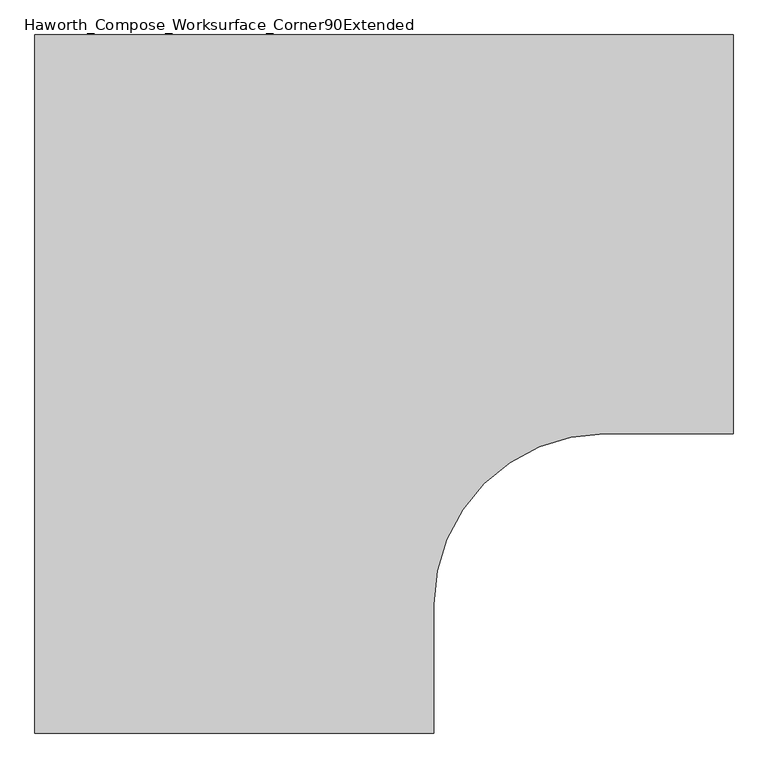
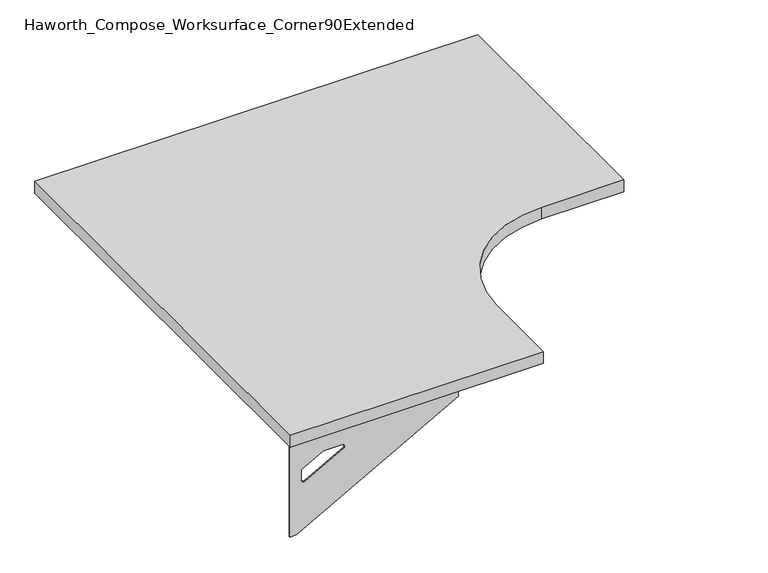
"""IFC4 building model written with IfcOpenShell, lengths in millimetres: furniture geometry, Haworth_Compose_Worksurface_Corner90Extended."""

from ifc_helpers import new_model, si_unit, point, frame, frame_2d, origin, place, context, project, spatial, polyline, circle_curve, trimmed, segment, composite_curve, outline, extrude, source, transform, mapped, element, save
from ifc_brep_helpers import plane_surface, revolved_surface, advanced_brep


def haworth_compose_worksurface_corner90extended_9e498c90(model_context):
    return source(origin(), model_context, "Body", "SolidModel", [
        advanced_brep(
        [(680.24375, 152.4, 475.45625), (680.24375, 136.525, 475.45625), (680.24375, -254.0, 691.7192568), (680.24375, -254.0, 704.05625), (680.24375, 136.525, 704.05625), (680.24375, 152.4, 704.05625), (680.24375, 69.090072, 665.95625), (680.24375, 25.4355284, 665.95625), (680.24375, 22.7564235, 656.3705539), (680.24375, 114.4776173, 605.5776439), (680.24375, 123.825, 611.1756969), (680.24375, 123.825, 634.6860246), (680.24375, 122.0730055, 637.5242776), (680.24375, 72.1663437, 665.1613425), (682.625, 152.4, 475.45625), (682.625, 152.4, 704.05625), (682.625, 136.525, 704.05625), (682.625, 136.525, 706.4375), (682.625, -254.0, 706.4375), (682.625, -254.0, 691.7192568), (682.625, 136.525, 475.45625), (682.625, 69.090072, 665.95625), (682.625, 72.1663437, 665.1613425), (682.625, 122.0730055, 637.5242776), (682.625, 123.825, 634.6860246), (682.625, 123.825, 611.1756969), (682.625, 114.4776173, 605.5776439), (682.625, 22.7564235, 656.3705539), (682.625, 25.4355284, 665.95625), (641.35, -254.0, 706.4375), (641.35, -254.0, 704.05625), (641.35, 136.525, 704.05625), (641.35, 136.525, 706.4375)],
        [
            (0, 1),
            (1, 2),
            (2, 3),
            (3, 4),
            (4, 5),
            (5, 0),
            (6, 7),
            (7, 8, circle_curve(frame((680.24375, 25.4355284, 660.7890106), z_axis=(1.0, 0.0, 0.0), x_axis=(0.0, -1.0, 0.0)), 5.1672394)),
            (8, 9),
            (9, 10, circle_curve(frame((680.24375, 117.475, 611.1756969), z_axis=(1.0, 0.0, 0.0), x_axis=(0.0, -1.0, 0.0)), 6.35)),
            (10, 11),
            (11, 12, circle_curve(frame((680.24375, 120.65, 634.6860246), z_axis=(1.0, 0.0, 0.0), x_axis=(0.0, -1.0, 0.0)), 3.175)),
            (12, 13),
            (13, 6, circle_curve(frame((680.24375, 69.090072, 659.60625), z_axis=(1.0, 0.0, 0.0), x_axis=(0.0, -1.0, 0.0)), 6.35)),
            (14, 15),
            (15, 16),
            (16, 17),
            (17, 18),
            (18, 19),
            (19, 20),
            (20, 14),
            (21, 22, circle_curve(frame((682.625, 69.090072, 659.60625), z_axis=(-1.0, 0.0, 0.0), x_axis=(0.0, -1.0, 0.0)), 6.35)),
            (22, 23),
            (23, 24, circle_curve(frame((682.625, 120.65, 634.6860246), z_axis=(-1.0, 0.0, 0.0), x_axis=(0.0, -1.0, 0.0)), 3.175)),
            (24, 25),
            (25, 26, circle_curve(frame((682.625, 117.475, 611.1756969), z_axis=(-1.0, 0.0, 0.0), x_axis=(0.0, -1.0, 0.0)), 6.35)),
            (26, 27),
            (27, 28, circle_curve(frame((682.625, 25.4355284, 660.7890106), z_axis=(-1.0, 0.0, 0.0), x_axis=(0.0, -1.0, 0.0)), 5.1672394)),
            (28, 21),
            (4, 16),
            (15, 5),
            (14, 0),
            (20, 1),
            (19, 2),
            (18, 29),
            (29, 30),
            (30, 3),
            (6, 21),
            (28, 7),
            (9, 26),
            (25, 10),
            (24, 11),
            (23, 12),
            (27, 8),
            (31, 4),
            (30, 31),
            (32, 29),
            (17, 32),
            (31, 32),
            (22, 13),
        ],
        [
            plane_surface(frame((680.24375, 152.4, 475.45625), z_axis=(-1.0, 0.0, 0.0), x_axis=(0.0, 1.0, 0.0))),
            plane_surface(frame((682.625, 152.4, 475.45625), z_axis=(1.0, 0.0, 0.0), x_axis=(0.0, -1.0, 0.0))),
            plane_surface(frame((682.625, -254.0, 704.05625), z_axis=(0.0, 0.0, 1.0), x_axis=(-1.0, 0.0, 0.0))),
            plane_surface(frame((682.625, 152.4, 704.05625), z_axis=(0.0, 1.0, 0.0), x_axis=(-1.0, 0.0, 0.0))),
            plane_surface(frame((682.625, 152.4, 475.45625), z_axis=(0.0, 0.0, -1.0), x_axis=(-1.0, 0.0, 0.0))),
            plane_surface(frame((682.625, 136.525, 475.45625), z_axis=(0.0, -0.4844522351345575, -0.8748177135112957), x_axis=(-1.0, 0.0, 0.0))),
            plane_surface(frame((682.625, -254.0, 691.7192568), z_axis=(0.0, -1.0, 0.0), x_axis=(-1.0, 0.0, 0.0))),
            plane_surface(frame((682.625, 69.090072, 665.95625), z_axis=(0.0, 0.0, -1.0), x_axis=(-1.0, 0.0, 0.0))),
            revolved_surface(polyline([(680.24375, 111.125, 611.1756969), (682.625, 111.125, 611.1756969)]), (682.625, 117.475, 611.1756969), (-1.0, 0.0, 0.0)),
            plane_surface(frame((682.625, 123.825, 611.1756969), z_axis=(0.0, -1.0, 0.0), x_axis=(-1.0, 0.0, 0.0))),
            revolved_surface(polyline([(680.24375, 117.47500000000001, 634.6860246), (682.625, 117.47500000000001, 634.6860246)]), (682.625, 120.65, 634.6860246), (-1.0, 0.0, 0.0)),
            revolved_surface(polyline([(680.24375, 20.268289, 660.7890106), (682.625, 20.268289, 660.7890106)]), (682.625, 25.4355284, 660.7890106), (-1.0, 0.0, 0.0)),
            plane_surface(frame((682.625, 136.525, 704.05625), z_axis=(0.0, 0.0, -1.0), x_axis=(-1.0, 0.0, 0.0))),
            plane_surface(frame((682.625, 136.525, 706.4375), z_axis=(0.0, 0.0, 1.0), x_axis=(1.0, 0.0, 0.0))),
            plane_surface(frame((641.35, 136.525, 706.4375), z_axis=(0.0, 1.0, 0.0), x_axis=(0.0, 0.0, -1.0))),
            plane_surface(frame((641.35, -254.0, 706.4375), z_axis=(-1.0, 0.0, 0.0), x_axis=(0.0, 0.0, -1.0))),
            plane_surface(frame((682.625, 22.7564235, 656.3705539), z_axis=(0.0, 0.4844522351341526, 0.8748177135115199), x_axis=(-1.0, 0.0, 0.0))),
            plane_surface(frame((682.625, 122.0730055, 637.5242776), z_axis=(0.0, -0.48445223513456226, -0.874817713511293), x_axis=(-1.0, 0.0, 0.0))),
            revolved_surface(polyline([(680.24375, 62.740072000000005, 659.60625), (682.625, 62.740072000000005, 659.60625)]), (682.625, 69.090072, 659.60625), (-1.0, 0.0, 0.0)),
        ],
        [
            (0, [[1, 2, 3, 4, 5, 6], [7, 8, 9, 10, 11, 12, 13, 14]]),
            (1, [[15, 16, 17, 18, 19, 20, 21], [22, 23, 24, 25, 26, 27, 28, 29]]),
            (2, [[-5, 30, -16, 31]]),
            (3, [[-31, -15, 32, -6]]),
            (4, [[-32, -21, 33, -1]]),
            (5, [[-33, -20, 34, -2]]),
            (6, [[-34, -19, 35, 36, 37, -3]]),
            (7, [[38, -29, 39, -7]]),
            (8, [[40, -26, 41, -10]]),
            (9, [[-41, -25, 42, -11]]),
            (10, [[-42, -24, 43, -12]]),
            (11, [[-39, -28, 44, -8]]),
            (12, [[45, -4, -37, 46]]),
            (13, [[47, -35, -18, 48]]),
            (14, [[-17, -30, -45, 49, -48]]),
            (15, [[-36, -47, -49, -46]]),
            (16, [[-44, -27, -40, -9]]),
            (17, [[-43, -23, 50, -13]]),
            (18, [[-50, -22, -38, -14]]),
        ],
    ),
        advanced_brep(
        [(-381.0, -908.84375, 475.45625), (-381.0, -908.84375, 704.05625), (-365.125, -908.84375, 704.05625), (25.4, -908.84375, 704.05625), (25.4, -908.84375, 691.7192568), (-365.125, -908.84375, 475.45625), (-297.690072, -908.84375, 665.95625), (-300.7663437, -908.84375, 665.1613425), (-350.6730055, -908.84375, 637.5242776), (-352.425, -908.84375, 634.6860246), (-352.425, -908.84375, 611.1756969), (-343.0776173, -908.84375, 605.5776439), (-251.3564235, -908.84375, 656.3705539), (-254.0355284, -908.84375, 665.95625), (-381.0, -911.225, 475.45625), (-365.125, -911.225, 475.45625), (25.4, -911.225, 691.7192568), (25.4, -911.225, 706.4375), (-365.125, -911.225, 706.4375), (-365.125, -911.225, 704.05625), (-381.0, -911.225, 704.05625), (-297.690072, -911.225, 665.95625), (-254.0355284, -911.225, 665.95625), (-251.3564235, -911.225, 656.3705539), (-343.0776173, -911.225, 605.5776439), (-352.425, -911.225, 611.1756969), (-352.425, -911.225, 634.6860246), (-350.6730055, -911.225, 637.5242776), (-300.7663437, -911.225, 665.1613425), (25.4, -869.95, 704.05625), (25.4, -869.95, 706.4375), (-365.125, -869.95, 704.05625), (-365.125, -869.95, 706.4375)],
        [
            (0, 1),
            (1, 2),
            (2, 3),
            (3, 4),
            (4, 5),
            (5, 0),
            (6, 7, circle_curve(frame((-297.690072, -908.84375, 659.60625), z_axis=(0.0, -1.0, 0.0), x_axis=(1.0, 0.0, 0.0)), 6.35)),
            (7, 8),
            (8, 9, circle_curve(frame((-349.25, -908.84375, 634.6860246), z_axis=(0.0, -1.0, 0.0), x_axis=(1.0, 0.0, 0.0)), 3.175)),
            (9, 10),
            (10, 11, circle_curve(frame((-346.075, -908.84375, 611.1756969), z_axis=(0.0, -1.0, 0.0), x_axis=(1.0, 0.0, 0.0)), 6.35)),
            (11, 12),
            (12, 13, circle_curve(frame((-254.0355284, -908.84375, 660.7890106), z_axis=(0.0, -1.0, 0.0), x_axis=(1.0, 0.0, 0.0)), 5.1672394)),
            (13, 6),
            (14, 15),
            (15, 16),
            (16, 17),
            (17, 18),
            (18, 19),
            (19, 20),
            (20, 14),
            (21, 22),
            (22, 23, circle_curve(frame((-254.0355284, -911.225, 660.7890106), z_axis=(0.0, 1.0, 0.0), x_axis=(1.0, 0.0, 0.0)), 5.1672394)),
            (23, 24),
            (24, 25, circle_curve(frame((-346.075, -911.225, 611.1756969), z_axis=(0.0, 1.0, 0.0), x_axis=(1.0, 0.0, 0.0)), 6.35)),
            (25, 26),
            (26, 27, circle_curve(frame((-349.25, -911.225, 634.6860246), z_axis=(0.0, 1.0, 0.0), x_axis=(1.0, 0.0, 0.0)), 3.175)),
            (27, 28),
            (28, 21, circle_curve(frame((-297.690072, -911.225, 659.60625), z_axis=(0.0, 1.0, 0.0), x_axis=(1.0, 0.0, 0.0)), 6.35)),
            (1, 20),
            (19, 2),
            (0, 14),
            (5, 15),
            (4, 16),
            (3, 29),
            (29, 30),
            (30, 17),
            (13, 22),
            (21, 6),
            (10, 25),
            (24, 11),
            (9, 26),
            (8, 27),
            (12, 23),
            (31, 29),
            (2, 31),
            (32, 18),
            (30, 32),
            (32, 31),
            (7, 28),
        ],
        [
            plane_surface(frame((-381.0, -908.84375, 475.45625), z_axis=(0.0, 1.0, 0.0), x_axis=(-1.0, 0.0, 0.0))),
            plane_surface(frame((-381.0, -911.225, 475.45625), z_axis=(0.0, -1.0, 0.0), x_axis=(1.0, 0.0, 0.0))),
            plane_surface(frame((25.4, -911.225, 704.05625), z_axis=(0.0, 0.0, 1.0), x_axis=(0.0, 1.0, 0.0))),
            plane_surface(frame((-381.0, -911.225, 704.05625), z_axis=(-1.0, 0.0, 0.0), x_axis=(0.0, 1.0, 0.0))),
            plane_surface(frame((-381.0, -911.225, 475.45625), z_axis=(0.0, 0.0, -1.0), x_axis=(0.0, 1.0, 0.0))),
            plane_surface(frame((-365.125, -911.225, 475.45625), z_axis=(0.4844522351345575, 0.0, -0.8748177135112957), x_axis=(0.0, 1.0, 0.0))),
            plane_surface(frame((25.4, -911.225, 691.7192568), z_axis=(1.0, 0.0, 0.0), x_axis=(0.0, 1.0, 0.0))),
            plane_surface(frame((-297.690072, -911.225, 665.95625), z_axis=(0.0, 0.0, -1.0), x_axis=(0.0, 1.0, 0.0))),
            revolved_surface(polyline([(-339.72499999999997, -908.84375, 611.1756969), (-339.72499999999997, -911.225, 611.1756969)]), (-346.075, -911.225, 611.1756969), (0.0, 1.0, 0.0)),
            plane_surface(frame((-352.425, -911.225, 611.1756969), z_axis=(1.0, 0.0, 0.0), x_axis=(0.0, 1.0, 0.0))),
            revolved_surface(polyline([(-346.075, -908.84375, 634.6860246), (-346.075, -911.225, 634.6860246)]), (-349.25, -911.225, 634.6860246), (0.0, 1.0, 0.0)),
            revolved_surface(polyline([(-248.868289, -908.84375, 660.7890106), (-248.868289, -911.225, 660.7890106)]), (-254.0355284, -911.225, 660.7890106), (0.0, 1.0, 0.0)),
            plane_surface(frame((-365.125, -911.225, 704.05625), z_axis=(0.0, 0.0, -1.0), x_axis=(0.0, 1.0, 0.0))),
            plane_surface(frame((-365.125, -911.225, 706.4375), z_axis=(0.0, 0.0, 1.0), x_axis=(0.0, -1.0, 0.0))),
            plane_surface(frame((-365.125, -869.95, 706.4375), z_axis=(-1.0, 0.0, 0.0), x_axis=(0.0, 0.0, -1.0))),
            plane_surface(frame((25.4, -869.95, 706.4375), z_axis=(0.0, 1.0, 0.0), x_axis=(0.0, 0.0, -1.0))),
            plane_surface(frame((-251.3564235, -911.225, 656.3705539), z_axis=(-0.4844522351341526, 0.0, 0.8748177135115199), x_axis=(0.0, 1.0, 0.0))),
            plane_surface(frame((-350.6730055, -911.225, 637.5242776), z_axis=(0.48445223513456226, 0.0, -0.874817713511293), x_axis=(0.0, 1.0, 0.0))),
            revolved_surface(polyline([(-291.34007199999996, -908.84375, 659.60625), (-291.34007199999996, -911.225, 659.60625)]), (-297.690072, -911.225, 659.60625), (0.0, 1.0, 0.0)),
        ],
        [
            (0, [[1, 2, 3, 4, 5, 6], [7, 8, 9, 10, 11, 12, 13, 14]]),
            (1, [[15, 16, 17, 18, 19, 20, 21], [22, 23, 24, 25, 26, 27, 28, 29]]),
            (2, [[30, -20, 31, -2]]),
            (3, [[-1, 32, -21, -30]]),
            (4, [[-6, 33, -15, -32]]),
            (5, [[-5, 34, -16, -33]]),
            (6, [[-4, 35, 36, 37, -17, -34]]),
            (7, [[-14, 38, -22, 39]]),
            (8, [[-11, 40, -25, 41]]),
            (9, [[-10, 42, -26, -40]]),
            (10, [[-9, 43, -27, -42]]),
            (11, [[-13, 44, -23, -38]]),
            (12, [[45, -35, -3, 46]]),
            (13, [[47, -18, -37, 48]]),
            (14, [[-47, 49, -46, -31, -19]]),
            (15, [[-45, -49, -48, -36]]),
            (16, [[-12, -41, -24, -44]]),
            (17, [[-8, 50, -28, -43]]),
            (18, [[-7, -39, -29, -50]]),
        ],
    ),
        extrude(outline(composite_curve([segment(polyline([(-381.0, 152.4), (685.8, 152.4), (685.8, -457.2), (488.95, -457.2)]), True, "CONTINUOUS"), segment(trimmed(circle_curve(frame_2d((488.95, -717.55)), 260.35), [point((488.95, -457.2))], [point((228.6, -717.55))], True, "CARTESIAN"), True, "CONTINUOUS"), segment(polyline([(228.6, -717.55), (228.6, -914.4), (-381.0, -914.4), (-381.0, 152.4)]), True, "CONTINUOUS")], self_intersect=False)), frame((0.0, 0.0, 706.4375), z_axis=(0.0, 0.0, 1.0), x_axis=(1.0, 0.0, 0.0)), (0.0, 0.0, 1.0), 30.1625),
    ])


if __name__ == "__main__":
    model = new_model("IFC4")
    model_context = context("Model", 3, world=origin())
    ifc_project = project(units=[si_unit("LENGTHUNIT", "METRE", prefix="MILLI")], contexts=[model_context])
    site = spatial("IfcSite", under=ifc_project)
    building = spatial("IfcBuilding", under=site)
    placement = place(None, origin())
    haworth_compose_worksurface_corner90extended_shape = haworth_compose_worksurface_corner90extended_9e498c90(model_context)
    element("IfcFurniture", 1, ObjectType="Haworth_Compose_Worksurface_Corner90Extended", at=placement, inside=building, context=model_context, shape_type="MappedRepresentation", body=[
        mapped(haworth_compose_worksurface_corner90extended_shape, transform((0.0, 0.0, 0.0), x_axis=(1.0, 0.0, 0.0), y_axis=(0.0, 1.0, 0.0), z_axis=(0.0, 0.0, 1.0))),
    ])
    save(model, "model.ifc")
